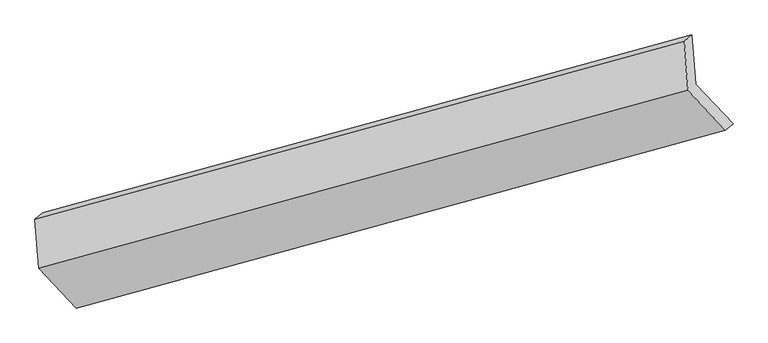
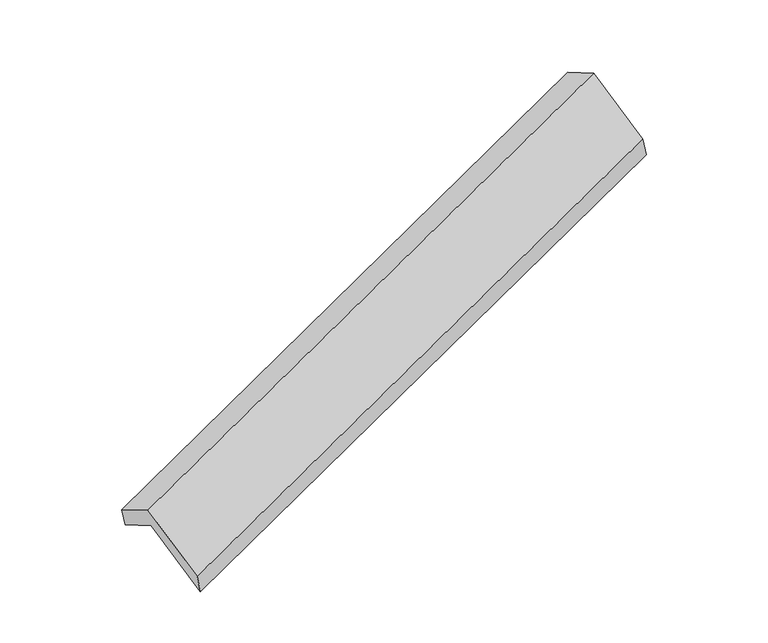
"""IFC4 building model written with IfcOpenShell, lengths in millimetres: proxy geometry."""

from ifc_helpers import new_model, si_unit, frame, origin, place, context, project, spatial, polyline, outline, extrude, source, transform, mapped, element, save


def generic_models_54cc6bc6(model_context):
    return source(origin(), model_context, "Body", "SweptSolid", [
        extrude(outline(polyline([(-141.0705273, -70.8304739), (513.4338956, -70.830474), (359.2386683, -196.8074361), (-295.2657547, -196.8074361), (-295.2657546, 204.6494289), (-141.0705273, 330.6263909), (-141.0705273, -70.8304739)])), frame((-5155.4049008, -2134.6066982, 1110.5748869), z_axis=(0.9121863485374149, 0.25002842047858076, 0.3246565177152059), x_axis=(0.4048029466664275, -0.4267714240720384, -0.8087031136119744)), (0.0, 0.0, 1.0), 5030.5195664),
    ])


if __name__ == "__main__":
    model = new_model("IFC4")
    model_context = context("Model", 3, world=origin())
    ifc_project = project(units=[si_unit("LENGTHUNIT", "METRE", prefix="MILLI")], contexts=[model_context])
    site = spatial("IfcSite", under=ifc_project)
    building = spatial("IfcBuilding", under=site)
    placement = place(None, origin())
    generic_models_shape = generic_models_54cc6bc6(model_context)
    element("IfcBuildingElementProxy", 1, Name="Generic Models", at=placement, inside=building, context=model_context, shape_type="MappedRepresentation", body=[
        mapped(generic_models_shape, transform((0.0, 0.0, 0.0), x_axis=(1.0, 0.0, 0.0), y_axis=(0.0, 1.0, 0.0), z_axis=(0.0, 0.0, 1.0))),
    ])
    save(model, "model.ifc")
